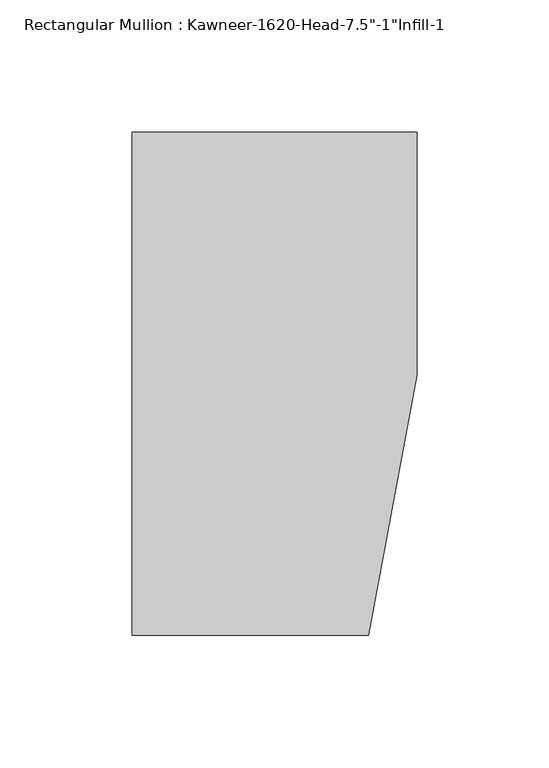
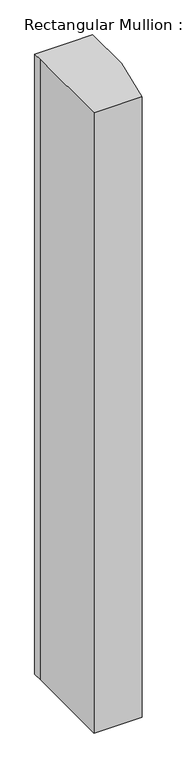
"""IFC4 building model written with IfcOpenShell, lengths in millimetres: member geometry."""

from ifc_helpers import new_model, si_unit, frame, origin, place, context, project, spatial, polyline, outline, extrude, source, transform, mapped, element, save


def member_90a6ff15(model_context):
    return source(origin(), model_context, "Body", "SweptSolid", [
        extrude(outline(polyline([(-107.95, 19.9095466), (-107.95, 38.1), (-44.1519366, 38.1), (0.0, 38.1), (0.0, -53.975), (-18.3538271, -152.4), (-107.95, -152.4), (-107.95, 19.9095466)])), frame((0.0, 0.0, -1219.2), z_axis=(0.0, 0.0, 1.0), x_axis=(1.0, 0.0, 0.0)), (0.0, 0.0, 1.0), 1219.2),
    ])


if __name__ == "__main__":
    model = new_model("IFC4")
    model_context = context("Model", 3, world=origin())
    ifc_project = project(units=[si_unit("LENGTHUNIT", "METRE", prefix="MILLI")], contexts=[model_context])
    site = spatial("IfcSite", under=ifc_project)
    building = spatial("IfcBuilding", under=site)
    placement = place(None, origin())
    member_shape = member_90a6ff15(model_context)
    element("IfcMember", 1, ObjectType="Rectangular Mullion : Kawneer-1620-Head-7.5\"-1\"Infill-1", at=placement, inside=building, context=model_context, shape_type="MappedRepresentation", body=[
        mapped(member_shape, transform((0.0, 0.0, 0.0), x_axis=(1.0, 0.0, 0.0), y_axis=(0.0, 1.0, 0.0), z_axis=(0.0, 0.0, 1.0))),
    ])
    save(model, "model.ifc")
